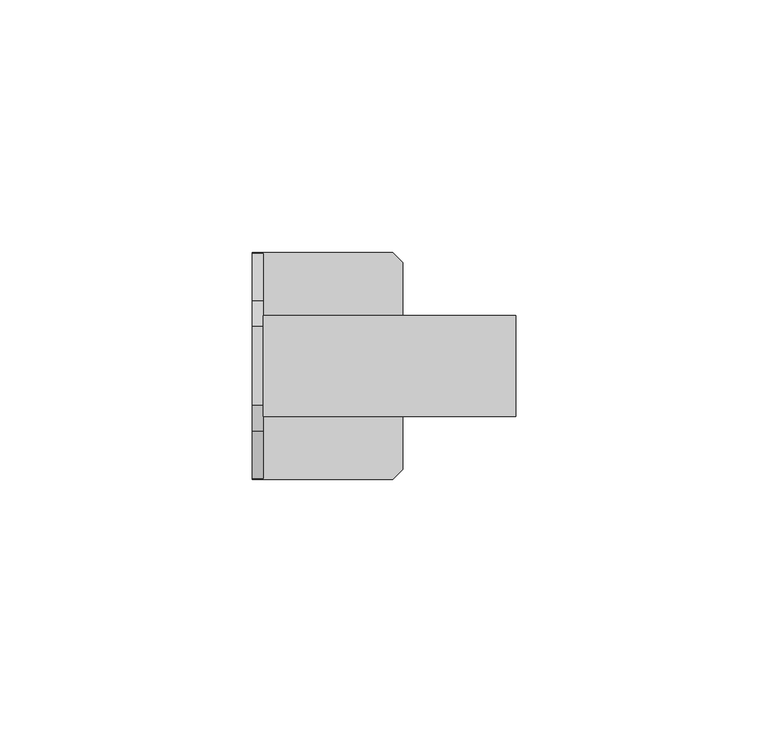
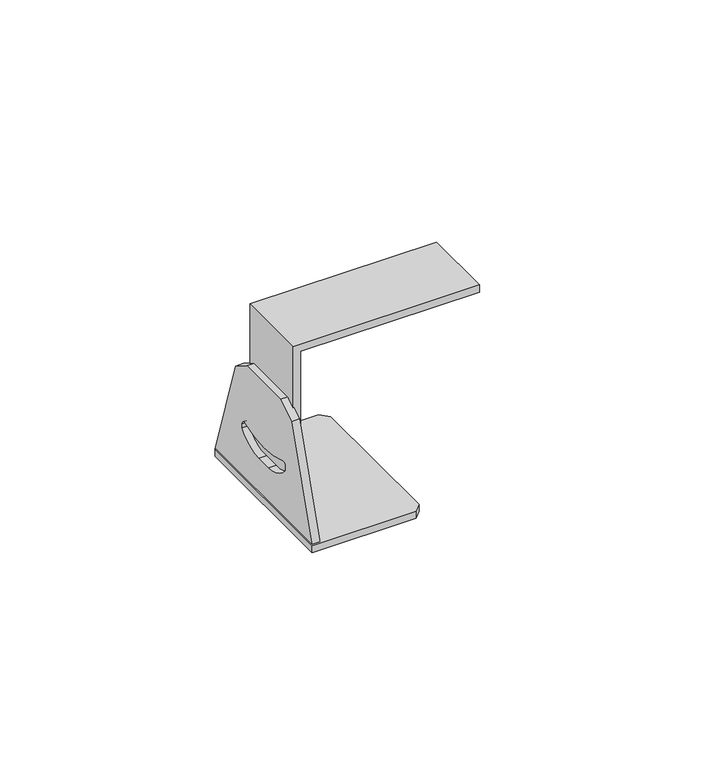
"""IFC4 building model written with IfcOpenShell, lengths in millimetres: light fixture geometry."""

from ifc_helpers import new_model, si_unit, point, frame, frame_2d, origin, origin_with_axes, place, context, project, spatial, polyline, circle_curve, trimmed, segment, composite_curve, outline, extrude, source, transform, mapped, element, save


def light_fixture_d3aebb0e(model_context):
    return source(origin(), model_context, "Body", "SweptSolid", [
        extrude(outline(polyline([(50.0, 0.0), (11.7570573, 0.0), (11.7570573, 2.0), (48.0, 2.0), (48.0, 50.0), (50.0, 50.0), (50.0, 0.0)])), frame((0.0, -10.0, 0.0), z_axis=(0.0, 1.0, 0.0), x_axis=(0.0, 0.0, 1.0)), (0.0, 0.0, 1.0), 20.0),
        extrude(outline(polyline([(-2.0964037, 22.5), (25.653384, 22.5), (27.6772681, 20.4761159), (27.6772681, -20.4762628), (25.7170391, -22.5), (-2.0964037, -22.5), (-2.0964037, 22.5)])), origin_with_axes(), (0.0, 0.0, 1.0), 2.0),
        extrude(outline(polyline([(-22.5, 2.0), (-12.968342, 31.3354269), (-7.8113812, 34.5661139), (7.8113812, 34.5661139), (12.968342, 31.3354269), (22.5, 2.0), (-22.5, 2.0)]), holes=[composite_curve([segment(trimmed(circle_curve(frame_2d((2.1965544, 21.5387654)), 9.781708), [point((2.1965544, 11.7570573))], [point((10.0, 15.640626))], True, "CARTESIAN"), True, "CONTINUOUS"), segment(polyline([(10.0, 15.640626), (10.0, 16.7428074)]), True, "CONTINUOUS"), segment(trimmed(circle_curve(frame_2d((9.0168001, 16.7428074)), 0.9831999), [point((10.0, 16.7428074))], [point((8.6655727, 17.6611326))], True, "CARTESIAN"), True, "CONTINUOUS"), segment(trimmed(circle_curve(frame_2d((0.1725737, 39.8670696)), 23.7746645), [point((8.6655727, 17.6611326))], [point((0.0, 16.0930315))], False, "CARTESIAN"), True, "CONTINUOUS"), segment(trimmed(circle_curve(frame_2d((-0.1725737, 39.8670696)), 23.7746645), [point((0.0, 16.0930315))], [point((-8.6655727, 17.6611326))], False, "CARTESIAN"), True, "CONTINUOUS"), segment(trimmed(circle_curve(frame_2d((-9.0168001, 16.7428074)), 0.9831999), [point((-8.6655727, 17.6611326))], [point((-10.0, 16.7428074))], True, "CARTESIAN"), True, "CONTINUOUS"), segment(polyline([(-10.0, 16.7428074), (-10.0, 15.640626)]), True, "CONTINUOUS"), segment(trimmed(circle_curve(frame_2d((-2.1965544, 21.5387654)), 9.781708), [point((-10.0, 15.640626))], [point((-2.1965544, 11.7570573))], True, "CARTESIAN"), True, "CONTINUOUS"), segment(polyline([(-2.1965544, 11.7570573), (2.1965544, 11.7570573)]), True, "CONTINUOUS")], self_intersect=False)]), frame((-2.0964037, 0.0, 0.0), z_axis=(1.0, 0.0, 0.0), x_axis=(0.0, 1.0, 0.0)), (0.0, 0.0, 1.0), 2.0964037),
    ])


if __name__ == "__main__":
    model = new_model("IFC4")
    model_context = context("Model", 3, world=origin())
    ifc_project = project(units=[si_unit("LENGTHUNIT", "METRE", prefix="MILLI")], contexts=[model_context])
    site = spatial("IfcSite", under=ifc_project)
    building = spatial("IfcBuilding", under=site)
    placement = place(None, origin())
    light_fixture_shape = light_fixture_d3aebb0e(model_context)
    element("IfcLightFixture", 1, at=placement, inside=building, context=model_context, shape_type="MappedRepresentation", body=[
        mapped(light_fixture_shape, transform((0.0, 0.0, 0.0), x_axis=(1.0, 0.0, 0.0), y_axis=(0.0, 1.0, 0.0), z_axis=(0.0, 0.0, 1.0))),
    ])
    save(model, "model.ifc")
